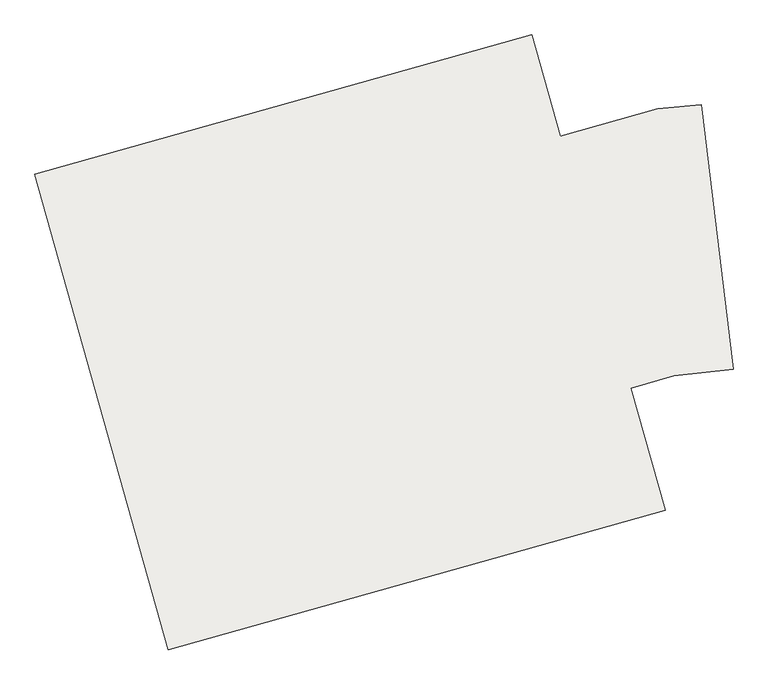
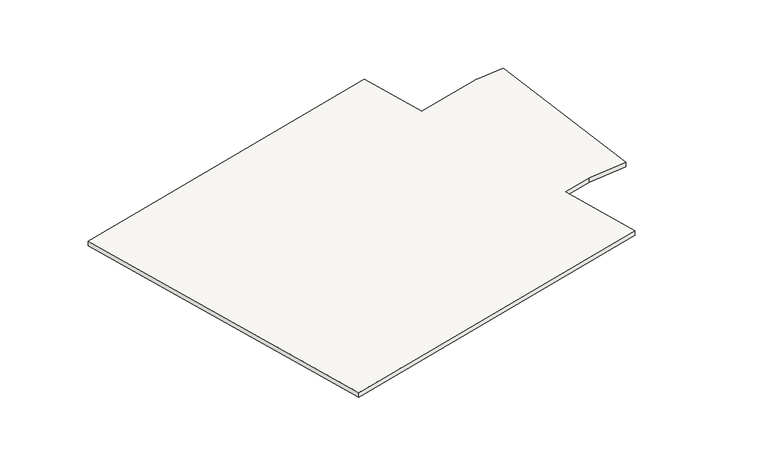
"""IFC4 building model written with IfcOpenShell, lengths in millimetres: slab geometry."""

from ifc_helpers import new_model, si_unit, frame, origin, place, context, project, spatial, polyline, outline, extrude, source, transform, mapped, element, save


def slab_0b826351(model_context):
    return source(origin(), model_context, "Body", "SweptSolid", [
        extrude(outline(polyline([(-137212.2452714, 41385.4121469), (-137370.3828421, 41367.7815174), (-137485.9167298, 41335.348189), (-137394.0222993, 41008.0021739), (-138722.6620079, 40635.0188973), (-139079.7238046, 41906.9431665), (-137751.084096, 42279.9264431), (-137675.1111454, 42009.2958673), (-137413.8721065, 42082.6323724), (-137297.9003476, 42093.5164941), (-137212.2452714, 41385.4121469)])), frame((0.0, 0.0, 15179.2554291), z_axis=(0.0, 0.0, 1.0), x_axis=(1.0, 0.0, 0.0)), (0.0, 0.0, 1.0), 20.0),
    ])


if __name__ == "__main__":
    model = new_model("IFC4")
    model_context = context("Model", 3, world=origin())
    ifc_project = project(units=[si_unit("LENGTHUNIT", "METRE", prefix="MILLI")], contexts=[model_context])
    site = spatial("IfcSite", under=ifc_project)
    building = spatial("IfcBuilding", under=site)
    placement = place(None, origin())
    slab_shape = slab_0b826351(model_context)
    element("IfcSlab", 1, at=placement, inside=building, context=model_context, shape_type="MappedRepresentation", body=[
        mapped(slab_shape, transform((0.0, 0.0, 0.0), x_axis=(1.0, 0.0, 0.0), y_axis=(0.0, 1.0, 0.0), z_axis=(0.0, 0.0, 1.0))),
    ])
    save(model, "model.ifc")
